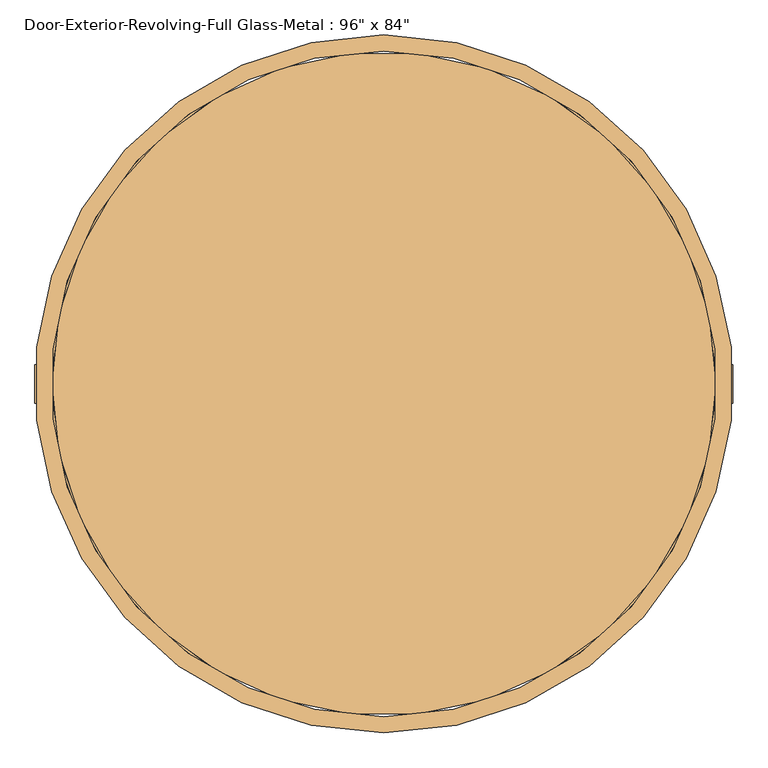
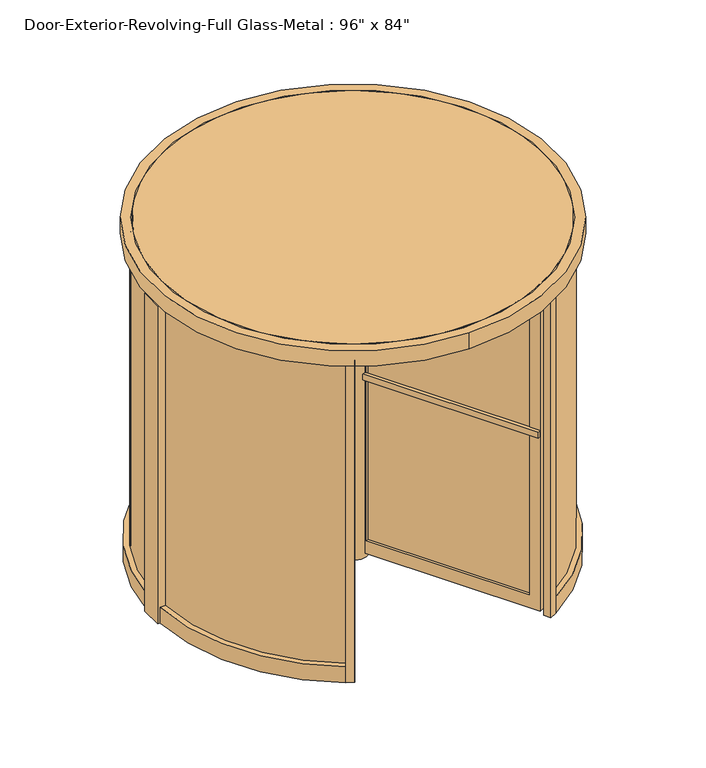
"""IFC4 building model written with IfcOpenShell, lengths in millimetres: door geometry."""

from ifc_helpers import new_model, si_unit, point, frame, frame_2d, origin, origin_with_axes, origin_2d, place, context, project, spatial, polyline, circle_curve, trimmed, segment, composite_curve, outline, extrude, source, transform, mapped, element, save
from ifc_brep_helpers import plane_surface, revolved_surface, advanced_brep


def door_4c1f6eaf(model_context):
    return source(origin(), model_context, "Body", "SolidModel", [
        advanced_brep(
        [(558.1772161, -1004.8912978, 25.4), (558.1772161, -1004.8912978, 2016.125), (26.9196881, -84.7262674, 2016.125), (26.9196881, -84.7262674, 25.4), (29.5397161, -89.2642891, 1949.45), (524.8397161, -947.149054, 1949.45), (524.8397161, -947.149054, 106.3625), (29.5397161, -89.2642891, 106.3625), (591.1727839, -985.8412978, 2016.125), (591.1727839, -985.8412978, 25.4), (59.9152559, -65.6762674, 25.4), (59.9152559, -65.6762674, 2016.125), (62.5352839, -70.2142891, 1949.45), (62.5352839, -70.2142891, 106.3625), (557.8352839, -928.099054, 106.3625), (557.8352839, -928.099054, 1949.45), (44.45, -76.9896584, 2016.125), (44.45, -76.9896584, 25.4)],
        [
            (0, 1),
            (1, 2),
            (2, 3),
            (3, 0),
            (4, 5),
            (5, 6),
            (6, 7),
            (7, 4),
            (8, 9),
            (9, 10),
            (10, 11),
            (11, 8),
            (12, 13),
            (13, 14),
            (14, 15),
            (15, 12),
            (1, 8),
            (11, 16, circle_curve(frame((0.0, 0.0, 2016.125), z_axis=(0.0, 0.0, -1.0), x_axis=(0.4999999999999996, -0.8660254037844389, 0.0)), 88.9)),
            (16, 2, circle_curve(frame((0.0, 0.0, 2016.125), z_axis=(0.0, 0.0, -1.0), x_axis=(0.4999999999999996, -0.8660254037844389, 0.0)), 88.9)),
            (0, 9),
            (3, 17, circle_curve(frame((0.0, 0.0, 25.4), z_axis=(0.0, 0.0, 1.0), x_axis=(0.4999999999999996, -0.8660254037844389, 0.0)), 88.9)),
            (17, 10, circle_curve(frame((0.0, 0.0, 25.4), z_axis=(0.0, 0.0, 1.0), x_axis=(0.4999999999999996, -0.8660254037844389, 0.0)), 88.9)),
            (7, 13),
            (12, 4),
            (6, 14),
            (5, 15),
            (16, 17),
        ],
        [
            plane_surface(frame((-3.7977839, -31.5220453, 2016.125), z_axis=(-0.8660254037844389, -0.4999999999999996, 0.0), x_axis=(0.0, 0.0, -1.0))),
            plane_surface(frame((29.1977839, -12.4720453, 2016.125), z_axis=(0.8660254037844389, 0.4999999999999996, 0.0), x_axis=(0.0, 0.0, 1.0))),
            plane_surface(frame((558.1772161, -1004.8912978, 2016.125), z_axis=(0.0, 0.0, 1.0), x_axis=(0.8660254037844384, 0.5000000000000004, 0.0))),
            plane_surface(frame((558.1772161, -1004.8912978, 25.4), z_axis=(0.5000000000000004, -0.8660254037844384, 0.0), x_axis=(0.8660254037844384, 0.5000000000000004, 0.0))),
            plane_surface(frame((-3.7977839, -31.5220453, 25.4), z_axis=(0.0, 0.0, -1.0), x_axis=(0.8660254037844389, 0.49999999999999956, 0.0))),
            plane_surface(frame((29.5397161, -89.2642891, 106.3625), z_axis=(0.4999999999999995, -0.866025403784439, 0.0), x_axis=(0.866025403784439, 0.4999999999999995, 0.0))),
            plane_surface(frame((524.8397161, -947.149054, 106.3625), z_axis=(0.0, 0.0, 1.0), x_axis=(0.8660254037844384, 0.5000000000000004, 0.0))),
            plane_surface(frame((524.8397161, -947.149054, 1949.45), z_axis=(-0.5000000000000004, 0.8660254037844384, 0.0), x_axis=(0.8660254037844384, 0.5000000000000004, 0.0))),
            plane_surface(frame((29.5397161, -89.2642891, 1949.45), z_axis=(0.0, 0.0, -1.0), x_axis=(0.8660254037844389, 0.49999999999999956, 0.0))),
            revolved_surface(polyline([(44.44999999999997, -76.98965839643662, 2016.1250000000002), (44.44999999999997, -76.98965839643662, 25.399999999999977)]), (0.0, 0.0, -344.4385455), (0.0, 0.0, 1.0)),
        ],
        [
            (0, [[1, 2, 3, 4], [5, 6, 7, 8]]),
            (1, [[9, 10, 11, 12], [13, 14, 15, 16]]),
            (2, [[17, -12, 18, 19, -2]]),
            (3, [[-1, 20, -9, -17]]),
            (4, [[-20, -4, 21, 22, -10]]),
            (5, [[-8, 23, -13, 24]]),
            (6, [[-7, 25, -14, -23]]),
            (7, [[-6, 26, -15, -25]]),
            (8, [[-5, -24, -16, -26]]),
            (9, [[27, -21, -3, -19]]),
            (9, [[-27, -18, -11, -22]]),
        ],
    ),
        advanced_brep(
        [(-1149.35, -19.05, 2016.125), (-1149.35, -19.05, 25.4), (-86.834944, -19.05, 25.4), (-86.834944, -19.05, 2016.125), (-92.075, -19.05, 1949.45), (-92.075, -19.05, 106.3625), (-1082.675, -19.05, 106.3625), (-1082.675, -19.05, 1949.45), (-1149.35, 19.05, 25.4), (-1149.35, 19.05, 2016.125), (-86.834944, 19.05, 2016.125), (-86.834944, 19.05, 25.4), (-92.075, 19.05, 1949.45), (-1082.675, 19.05, 1949.45), (-1082.675, 19.05, 106.3625), (-92.075, 19.05, 106.3625)],
        [
            (0, 1),
            (1, 2),
            (2, 3),
            (3, 0),
            (4, 5),
            (5, 6),
            (6, 7),
            (7, 4),
            (8, 9),
            (9, 10),
            (10, 11),
            (11, 8),
            (12, 13),
            (13, 14),
            (14, 15),
            (15, 12),
            (9, 0),
            (3, 10, circle_curve(frame((0.0, 0.0, 2016.125), z_axis=(0.0, 0.0, -1.0), x_axis=(0.4999999999999996, -0.8660254037844389, 0.0)), 88.9)),
            (8, 1),
            (11, 2, circle_curve(frame((0.0, 0.0, 25.4), z_axis=(0.0, 0.0, 1.0), x_axis=(0.4999999999999996, -0.8660254037844389, 0.0)), 88.9)),
            (4, 12),
            (15, 5),
            (14, 6),
            (13, 7),
        ],
        [
            plane_surface(frame((-1149.35, -19.05, 2016.125), z_axis=(0.0, -1.0, 0.0), x_axis=(-1.0, 0.0, 0.0))),
            plane_surface(frame((-1149.35, 19.05, 2016.125), z_axis=(0.0, 1.0, 0.0), x_axis=(1.0, 0.0, 0.0))),
            plane_surface(frame((-25.4, -19.05, 2016.125), z_axis=(0.0, 0.0, 1.0), x_axis=(0.0, 1.0, 0.0))),
            plane_surface(frame((-1149.35, -19.05, 2016.125), z_axis=(-1.0, 0.0, 0.0), x_axis=(0.0, 1.0, 0.0))),
            plane_surface(frame((-1149.35, -19.05, 25.4), z_axis=(0.0, 0.0, -1.0), x_axis=(0.0, 1.0, 0.0))),
            plane_surface(frame((-92.075, -19.05, 1949.45), z_axis=(-1.0, 0.0, 0.0), x_axis=(0.0, 1.0, 0.0))),
            plane_surface(frame((-92.075, -19.05, 106.3625), z_axis=(0.0, 0.0, 1.0), x_axis=(0.0, 1.0, 0.0))),
            plane_surface(frame((-1082.675, -19.05, 106.3625), z_axis=(1.0, 0.0, 0.0), x_axis=(0.0, 1.0, 0.0))),
            plane_surface(frame((-1082.675, -19.05, 1949.45), z_axis=(0.0, 0.0, -1.0), x_axis=(0.0, 1.0, 0.0))),
            revolved_surface(polyline([(44.44999999999997, -76.98965839643662, 2016.1250000000002), (44.44999999999997, -76.98965839643662, 25.399999999999977)]), (0.0, 0.0, -344.4385455), (0.0, 0.0, 1.0)),
        ],
        [
            (0, [[1, 2, 3, 4], [5, 6, 7, 8]]),
            (1, [[9, 10, 11, 12], [13, 14, 15, 16]]),
            (2, [[17, -4, 18, -10]]),
            (3, [[-1, -17, -9, 19]]),
            (4, [[-19, -12, 20, -2]]),
            (5, [[-5, 21, -16, 22]]),
            (6, [[-6, -22, -15, 23]]),
            (7, [[-7, -23, -14, 24]]),
            (8, [[-8, -24, -13, -21]]),
            (9, [[-3, -20, -11, -18]]),
        ],
    ),
        advanced_brep(
        [(591.1727839, 985.8412978, 25.4), (591.1727839, 985.8412978, 2016.125), (59.9152559, 65.6762674, 2016.125), (59.9152559, 65.6762674, 25.4), (62.5352839, 70.2142891, 1949.45), (557.8352839, 928.099054, 1949.45), (557.8352839, 928.099054, 106.3625), (62.5352839, 70.2142891, 106.3625), (558.1772161, 1004.8912978, 2016.125), (558.1772161, 1004.8912978, 25.4), (26.9196881, 84.7262674, 25.4), (26.9196881, 84.7262674, 2016.125), (29.5397161, 89.2642891, 1949.45), (29.5397161, 89.2642891, 106.3625), (524.8397161, 947.149054, 106.3625), (524.8397161, 947.149054, 1949.45)],
        [
            (0, 1),
            (1, 2),
            (2, 3),
            (3, 0),
            (4, 5),
            (5, 6),
            (6, 7),
            (7, 4),
            (8, 9),
            (9, 10),
            (10, 11),
            (11, 8),
            (12, 13),
            (13, 14),
            (14, 15),
            (15, 12),
            (1, 8),
            (11, 2, circle_curve(frame((0.0, 0.0, 2016.125), z_axis=(0.0, 0.0, -1.0), x_axis=(0.4999999999999996, -0.8660254037844389, 0.0)), 88.9)),
            (0, 9),
            (3, 10, circle_curve(frame((0.0, 0.0, 25.4), z_axis=(0.0, 0.0, 1.0), x_axis=(0.4999999999999996, -0.8660254037844389, 0.0)), 88.9)),
            (7, 13),
            (12, 4),
            (6, 14),
            (5, 15),
        ],
        [
            plane_surface(frame((29.1977839, 12.4720453, 2016.125), z_axis=(0.866025403784439, -0.4999999999999995, 0.0), x_axis=(0.0, 0.0, -1.0))),
            plane_surface(frame((-3.7977839, 31.5220453, 2016.125), z_axis=(-0.866025403784439, 0.4999999999999995, 0.0), x_axis=(0.0, 0.0, 1.0))),
            plane_surface(frame((591.1727839, 985.8412978, 2016.125), z_axis=(0.0, 0.0, 1.0), x_axis=(-0.8660254037844384, 0.5000000000000004, 0.0))),
            plane_surface(frame((591.1727839, 985.8412978, 25.4), z_axis=(0.49999999999999706, 0.8660254037844404, 0.0), x_axis=(-0.8660254037844404, 0.49999999999999706, 0.0))),
            plane_surface(frame((29.1977839, 12.4720453, 25.4), z_axis=(0.0, 0.0, -1.0), x_axis=(-0.866025403784439, 0.49999999999999944, 0.0))),
            plane_surface(frame((62.5352839, 70.2142891, 106.3625), z_axis=(0.49999999999999967, 0.8660254037844388, 0.0), x_axis=(-0.8660254037844388, 0.49999999999999967, 0.0))),
            plane_surface(frame((557.8352839, 928.099054, 106.3625), z_axis=(0.0, 0.0, 1.0), x_axis=(-0.8660254037844384, 0.5000000000000004, 0.0))),
            plane_surface(frame((557.8352839, 928.099054, 1949.45), z_axis=(-0.5000000000000004, -0.8660254037844384, 0.0), x_axis=(-0.8660254037844384, 0.5000000000000004, 0.0))),
            plane_surface(frame((62.5352839, 70.2142891, 1949.45), z_axis=(0.0, 0.0, -1.0), x_axis=(-0.8660254037844393, 0.499999999999999, 0.0))),
            revolved_surface(polyline([(44.44999999999997, -76.98965839643662, 2016.1250000000002), (44.44999999999997, -76.98965839643662, 25.399999999999977)]), (0.0, 0.0, -344.4385455), (0.0, 0.0, 1.0)),
        ],
        [
            (0, [[1, 2, 3, 4], [5, 6, 7, 8]]),
            (1, [[9, 10, 11, 12], [13, 14, 15, 16]]),
            (2, [[17, -12, 18, -2]]),
            (3, [[-1, 19, -9, -17]]),
            (4, [[-19, -4, 20, -10]]),
            (5, [[-8, 21, -13, 22]]),
            (6, [[-7, 23, -14, -21]]),
            (7, [[-6, 24, -15, -23]]),
            (8, [[-5, -22, -16, -24]]),
            (9, [[-3, -18, -11, -20]]),
        ],
    ),
        extrude(outline(composite_curve([segment(polyline([(-615.7921907, 989.2164973), (-638.1275667, 1031.4059972)]), True, "CONTINUOUS"), segment(trimmed(circle_curve(origin_2d(), 1212.85), [point((-638.1275667, 1031.4059972))], [point((-595.6078601, 1056.530359))], False, "CARTESIAN"), True, "CONTINUOUS"), segment(polyline([(-595.6078601, 1056.530359), (-573.2795251, 1014.4456056)]), True, "CONTINUOUS"), segment(trimmed(circle_curve(origin_2d(), 1165.225), [point((-573.2795251, 1014.4456056))], [point((-615.7921907, 989.2164973))], True, "CARTESIAN"), True, "CONTINUOUS")], self_intersect=False)), origin_with_axes(), (0.0, 0.0, 1.0), 2041.525),
        extrude(outline(composite_curve([segment(polyline([(638.2334006, 1031.6059079), (615.7921907, 989.2164973)]), True, "CONTINUOUS"), segment(trimmed(circle_curve(origin_2d(), 1165.225), [point((615.7921907, 989.2164973))], [point((573.2795251, 1014.4456056))], True, "CARTESIAN"), True, "CONTINUOUS"), segment(polyline([(573.2795251, 1014.4456056), (595.7136707, 1056.7297882)]), True, "CONTINUOUS"), segment(trimmed(circle_curve(origin_2d(), 1213.0756872), [point((595.7136707, 1056.7297882))], [point((638.2334006, 1031.6059079))], False, "CARTESIAN"), True, "CONTINUOUS")], self_intersect=False)), origin_with_axes(), (0.0, 0.0, 1.0), 2041.525),
        extrude(outline(composite_curve([segment(trimmed(circle_curve(origin_2d(), 1165.225), [point((-615.7921907, -989.2164973))], [point((-573.2795251, -1014.4456056))], True, "CARTESIAN"), True, "CONTINUOUS"), segment(polyline([(-573.2795251, -1014.4456056), (-595.6078601, -1052.8850325)]), True, "CONTINUOUS"), segment(trimmed(circle_curve(frame_2d((0.0, 179.0003095)), 1368.3165638), [point((-595.6078601, -1052.8850325))], [point((-638.1275667, -1031.4059972))], False, "CARTESIAN"), True, "CONTINUOUS"), segment(polyline([(-638.1275667, -1031.4059972), (-615.7921907, -989.2164973)]), True, "CONTINUOUS")], self_intersect=False)), origin_with_axes(), (0.0, 0.0, 1.0), 2041.525),
        extrude(outline(composite_curve([segment(trimmed(circle_curve(frame_2d((0.0, 179.0003498)), 1368.3165995), [point((638.1275667, -1031.4059972))], [point((595.6078689, -1052.8850275))], False, "CARTESIAN"), True, "CONTINUOUS"), segment(polyline([(595.6078689, -1052.8850275), (573.2795251, -1014.4456056)]), True, "CONTINUOUS"), segment(trimmed(circle_curve(origin_2d(), 1165.225), [point((573.2795251, -1014.4456056))], [point((615.7921907, -989.2164973))], True, "CARTESIAN"), True, "CONTINUOUS"), segment(polyline([(615.7921907, -989.2164973), (638.1275667, -1031.4059972)]), True, "CONTINUOUS")], self_intersect=False)), origin_with_axes(), (0.0, 0.0, 1.0), 2041.525),
        extrude(outline(composite_curve([segment(polyline([(-1171.2208243, 67.46875), (-1177.5812382, 67.46875)]), True, "CONTINUOUS"), segment(trimmed(circle_curve(origin_2d(), 1179.5124437), [point((-1177.5812382, 67.46875))], [point((-622.9714922, 1001.5768191))], False, "CARTESIAN"), True, "CONTINUOUS"), segment(polyline([(-622.9714922, 1001.5768191), (-619.7807004, 996.0833975)]), True, "CONTINUOUS"), segment(trimmed(circle_curve(origin_2d(), 1173.1625), [point((-619.7807004, 996.0833975))], [point((-1171.2208243, 67.46875))], True, "CARTESIAN"), True, "CONTINUOUS")], self_intersect=False)), frame((0.0, 0.0, 101.6), z_axis=(0.0, 0.0, 1.0), x_axis=(1.0, 0.0, 0.0)), (0.0, 0.0, 1.0), 1939.925),
        extrude(outline(composite_curve([segment(trimmed(circle_curve(origin_2d(), 1173.1625), [point((1171.2208243, 67.46875))], [point((619.7807004, 996.0833975))], True, "CARTESIAN"), True, "CONTINUOUS"), segment(polyline([(619.7807004, 996.0833975), (622.9714922, 1001.5768191)]), True, "CONTINUOUS"), segment(trimmed(circle_curve(origin_2d(), 1179.5124437), [point((622.9714922, 1001.5768191))], [point((1177.5812382, 67.46875))], False, "CARTESIAN"), True, "CONTINUOUS"), segment(polyline([(1177.5812382, 67.46875), (1171.2208243, 67.46875)]), True, "CONTINUOUS")], self_intersect=False)), frame((0.0, 0.0, 101.6), z_axis=(0.0, 0.0, 1.0), x_axis=(1.0, 0.0, 0.0)), (0.0, 0.0, 1.0), 1939.925),
        extrude(outline(composite_curve([segment(trimmed(circle_curve(origin_2d(), 1173.1625), [point((-1171.2208243, -67.46875))], [point((-619.7807004, -996.0833975))], True, "CARTESIAN"), True, "CONTINUOUS"), segment(polyline([(-619.7807004, -996.0833975), (-622.9714922, -1001.5768191)]), True, "CONTINUOUS"), segment(trimmed(circle_curve(origin_2d(), 1179.5124437), [point((-622.9714922, -1001.5768191))], [point((-1177.5812382, -67.46875))], False, "CARTESIAN"), True, "CONTINUOUS"), segment(polyline([(-1177.5812382, -67.46875), (-1171.2208243, -67.46875)]), True, "CONTINUOUS")], self_intersect=False)), frame((0.0, 0.0, 101.6), z_axis=(0.0, 0.0, 1.0), x_axis=(1.0, 0.0, 0.0)), (0.0, 0.0, 1.0), 1939.925),
        extrude(outline(composite_curve([segment(polyline([(1171.2208243, -67.46875), (1177.5812382, -67.46875)]), True, "CONTINUOUS"), segment(trimmed(circle_curve(origin_2d(), 1179.5124437), [point((1177.5812382, -67.46875))], [point((622.9714922, -1001.5768191))], False, "CARTESIAN"), True, "CONTINUOUS"), segment(polyline([(622.9714922, -1001.5768191), (619.7807004, -996.0833975)]), True, "CONTINUOUS"), segment(trimmed(circle_curve(origin_2d(), 1173.1625), [point((619.7807004, -996.0833975))], [point((1171.2208243, -67.46875))], True, "CARTESIAN"), True, "CONTINUOUS")], self_intersect=False)), frame((0.0, 0.0, 101.6), z_axis=(0.0, 0.0, 1.0), x_axis=(1.0, 0.0, 0.0)), (0.0, 0.0, 1.0), 1939.925),
        extrude(outline(composite_curve([segment(trimmed(circle_curve(origin_2d(), 1225.55), [point((0.0, -1225.55))], [point((0.0, 1225.55))], False, "CARTESIAN"), True, "CONTINUOUS"), segment(trimmed(circle_curve(origin_2d(), 1225.55), [point((0.0, 1225.55))], [point((0.0, -1225.55))], False, "CARTESIAN"), True, "CONTINUOUS")], self_intersect=False), holes=[composite_curve([segment(trimmed(circle_curve(origin_2d(), 1168.4), [point((0.0, 1168.4))], [point((0.0, -1168.4))], True, "CARTESIAN"), True, "CONTINUOUS"), segment(trimmed(circle_curve(origin_2d(), 1168.4), [point((0.0, -1168.4))], [point((0.0, 1168.4))], True, "CARTESIAN"), True, "CONTINUOUS")], self_intersect=False)]), frame((0.0, 0.0, 2041.525), z_axis=(0.0, 0.0, 1.0), x_axis=(1.0, 0.0, 0.0)), (0.0, 0.0, 1.0), 101.6),
        extrude(outline(composite_curve([segment(trimmed(circle_curve(origin_2d(), 1165.225), [point((-1165.225, 0.0))], [point((1165.225, 0.0))], False, "CARTESIAN"), True, "CONTINUOUS"), segment(trimmed(circle_curve(origin_2d(), 1165.225), [point((1165.225, 0.0))], [point((-1165.225, 0.0))], False, "CARTESIAN"), True, "CONTINUOUS")], self_intersect=False)), frame((0.0, 0.0, 2041.525), z_axis=(0.0, 0.0, 1.0), x_axis=(1.0, 0.0, 0.0)), (0.0, 0.0, 1.0), 101.6),
        extrude(outline(composite_curve([segment(trimmed(circle_curve(origin_2d(), 88.9), [point((-88.9, 0.0))], [point((88.9, 0.0))], False, "CARTESIAN"), True, "CONTINUOUS"), segment(trimmed(circle_curve(origin_2d(), 88.9), [point((88.9, 0.0))], [point((-88.9, 0.0))], False, "CARTESIAN"), True, "CONTINUOUS")], self_intersect=False)), origin_with_axes(), (0.0, 0.0, 1.0), 2041.525),
        extrude(outline(composite_curve([segment(polyline([(-615.7921907, -989.2164973), (-638.1275667, -1031.4059972)]), True, "CONTINUOUS"), segment(trimmed(circle_curve(origin_2d(), 1212.85), [point((-638.1275667, -1031.4059972))], [point((-1210.971961, -67.46875))], False, "CARTESIAN"), True, "CONTINUOUS"), segment(polyline([(-1210.971961, -67.46875), (-1163.2700754, -67.46875)]), True, "CONTINUOUS"), segment(trimmed(circle_curve(origin_2d(), 1165.225), [point((-1163.2700754, -67.46875))], [point((-615.7921907, -989.2164973))], True, "CARTESIAN"), True, "CONTINUOUS")], self_intersect=False)), origin_with_axes(), (0.0, 0.0, 1.0), 101.6),
        extrude(outline(composite_curve([segment(polyline([(638.1275667, -1031.4059972), (615.7921907, -989.2164973)]), True, "CONTINUOUS"), segment(trimmed(circle_curve(origin_2d(), 1165.225), [point((615.7921907, -989.2164973))], [point((1163.2700754, -67.46875))], True, "CARTESIAN"), True, "CONTINUOUS"), segment(polyline([(1163.2700754, -67.46875), (1210.971961, -67.46875)]), True, "CONTINUOUS"), segment(trimmed(circle_curve(origin_2d(), 1212.85), [point((1210.971961, -67.46875))], [point((638.1275667, -1031.4059972))], False, "CARTESIAN"), True, "CONTINUOUS")], self_intersect=False)), origin_with_axes(), (0.0, 0.0, 1.0), 101.6),
        extrude(outline(composite_curve([segment(polyline([(1210.971961, 67.46875), (1163.2700754, 67.46875)]), True, "CONTINUOUS"), segment(trimmed(circle_curve(origin_2d(), 1165.225), [point((1163.2700754, 67.46875))], [point((615.7921907, 989.2164973))], True, "CARTESIAN"), True, "CONTINUOUS"), segment(polyline([(615.7921907, 989.2164973), (638.1275667, 1031.4059972)]), True, "CONTINUOUS"), segment(trimmed(circle_curve(origin_2d(), 1212.85), [point((638.1275667, 1031.4059972))], [point((1210.971961, 67.46875))], False, "CARTESIAN"), True, "CONTINUOUS")], self_intersect=False)), origin_with_axes(), (0.0, 0.0, 1.0), 101.6),
        extrude(outline(composite_curve([segment(polyline([(-638.1275667, 1031.4059972), (-615.7921907, 989.2164973)]), True, "CONTINUOUS"), segment(trimmed(circle_curve(origin_2d(), 1165.225), [point((-615.7921907, 989.2164973))], [point((-1163.2700754, 67.46875))], True, "CARTESIAN"), True, "CONTINUOUS"), segment(polyline([(-1163.2700754, 67.46875), (-1210.971961, 67.46875)]), True, "CONTINUOUS"), segment(trimmed(circle_curve(origin_2d(), 1212.85), [point((-1210.971961, 67.46875))], [point((-638.1275667, 1031.4059972))], False, "CARTESIAN"), True, "CONTINUOUS")], self_intersect=False)), origin_with_axes(), (0.0, 0.0, 1.0), 101.6),
        extrude(outline(polyline([(-1168.4, 67.46875), (-1168.4, -67.46875), (-1225.55, -67.46875), (-1225.55, 67.46875), (-1168.4, 67.46875)])), origin_with_axes(), (0.0, 0.0, 1.0), 2041.525),
        extrude(outline(polyline([(1225.55, 67.46875), (1225.55, -67.46875), (1168.4, -67.46875), (1168.4, 67.46875), (1225.55, 67.46875)])), origin_with_axes(), (0.0, 0.0, 1.0), 2041.525),
        extrude(outline(polyline([(538.5878693, -939.211554), (43.2878693, -81.3267891), (48.7871307, -78.1517891), (544.0871307, -936.036554), (538.5878693, -939.211554)])), frame((0.0, 0.0, 106.3625), z_axis=(0.0, 0.0, 1.0), x_axis=(1.0, 0.0, 0.0)), (0.0, 0.0, 1.0), 1843.0875),
        extrude(outline(polyline([(544.0871307, 936.036554), (48.7871307, 78.1517891), (43.2878693, 81.3267891), (538.5878693, 939.211554), (544.0871307, 936.036554)])), frame((0.0, 0.0, 106.3625), z_axis=(0.0, 0.0, 1.0), x_axis=(1.0, 0.0, 0.0)), (0.0, 0.0, 1.0), 1843.0875),
        extrude(outline(polyline([(-92.075, -3.175), (-1082.675, -3.175), (-1082.675, 3.175), (-92.075, 3.175), (-92.075, -3.175)])), frame((0.0, 0.0, 106.3625), z_axis=(0.0, 0.0, 1.0), x_axis=(1.0, 0.0, 0.0)), (0.0, 0.0, 1.0), 1843.0875),
        extrude(outline(composite_curve([segment(polyline([(-1149.35, 19.05), (-1149.35, 38.1), (-80.3218526, 38.1)]), True, "CONTINUOUS"), segment(trimmed(circle_curve(origin_2d(), 88.9), [point((-80.3218526, 38.1))], [point((-86.834944, 19.05))], True, "CARTESIAN"), True, "CONTINUOUS"), segment(polyline([(-86.834944, 19.05), (-1149.35, 19.05)]), True, "CONTINUOUS")], self_intersect=False)), frame((0.0, 0.0, 1149.35), z_axis=(0.0, 0.0, 1.0), x_axis=(1.0, 0.0, 0.0)), (0.0, 0.0, 1.0), 38.1),
        extrude(outline(composite_curve([segment(polyline([(558.1772161, -1004.8912978), (541.6794321, -1014.4162978), (7.1653584, -88.6107648)]), True, "CONTINUOUS"), segment(trimmed(circle_curve(origin_2d(), 88.9), [point((7.1653584, -88.6107648))], [point((26.9196881, -84.7262674))], True, "CARTESIAN"), True, "CONTINUOUS"), segment(polyline([(26.9196881, -84.7262674), (558.1772161, -1004.8912978)]), True, "CONTINUOUS")], self_intersect=False)), frame((0.0, 0.0, 1149.35), z_axis=(0.0, 0.0, 1.0), x_axis=(1.0, 0.0, 0.0)), (0.0, 0.0, 1.0), 38.1),
        extrude(outline(composite_curve([segment(polyline([(591.1727839, 985.8412978), (607.6705679, 976.3162978), (73.1564942, 50.5107648)]), True, "CONTINUOUS"), segment(trimmed(circle_curve(origin_2d(), 88.9), [point((73.1564942, 50.5107648))], [point((59.9152559, 65.6762674))], True, "CARTESIAN"), True, "CONTINUOUS"), segment(polyline([(59.9152559, 65.6762674), (591.1727839, 985.8412978)]), True, "CONTINUOUS")], self_intersect=False)), frame((0.0, 0.0, 1149.35), z_axis=(0.0, 0.0, 1.0), x_axis=(1.0, 0.0, 0.0)), (0.0, 0.0, 1.0), 38.1),
    ])


if __name__ == "__main__":
    model = new_model("IFC4")
    model_context = context("Model", 3, world=origin())
    ifc_project = project(units=[si_unit("LENGTHUNIT", "METRE", prefix="MILLI")], contexts=[model_context])
    site = spatial("IfcSite", under=ifc_project)
    building = spatial("IfcBuilding", under=site)
    placement = place(None, origin())
    door_shape = door_4c1f6eaf(model_context)
    element("IfcDoor", 1, ObjectType="Door-Exterior-Revolving-Full Glass-Metal : 96\" x 84\"", at=placement, inside=building, context=model_context, shape_type="MappedRepresentation", body=[
        mapped(door_shape, transform((0.0, 0.0, 0.0), x_axis=(1.0, 0.0, 0.0), y_axis=(0.0, 1.0, 0.0), z_axis=(0.0, 0.0, 1.0))),
    ])
    save(model, "model.ifc")
